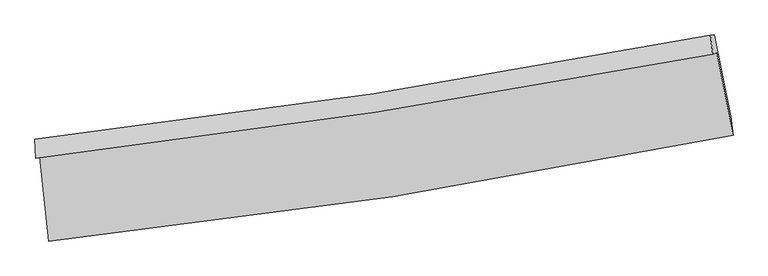
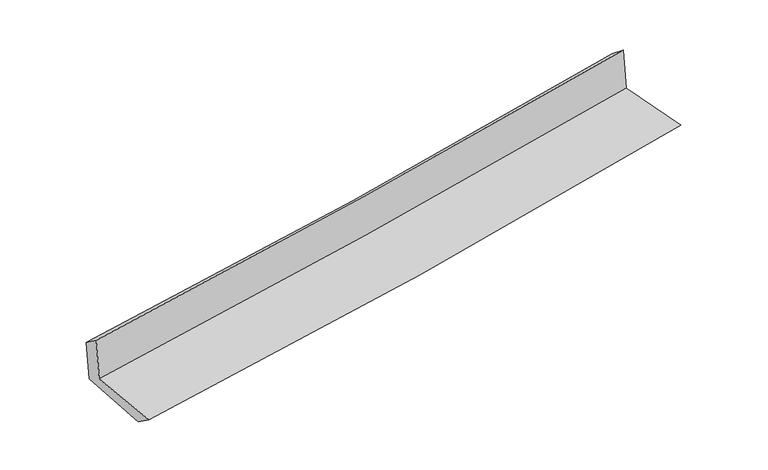
"""IFC4 building model written with IfcOpenShell, lengths in millimetres: proxy geometry."""

from ifc_helpers import new_model, si_unit, frame, origin, place, context, project, spatial, source, transform, mapped, element, save
from ifc_brep_helpers import plane_surface, spline_curve, spline_surface, advanced_brep


def generic_models_7327e803(model_context):
    return source(origin(), model_context, "Body", "AdvancedBrep", [
        advanced_brep(
        [(-2734.3111772, -1895.6597894, 1647.98249), (-2661.1097117, -2571.1656265, 1628.0937723), (2812.0473475, -1724.8659632, 2114.2928567), (2680.8680468, -1064.2017412, 2129.0884794), (-2765.9495913, -1906.8552736, 2047.5147151), (2649.2694833, -1075.4680605, 2524.1315922), (-2772.8072823, -1757.2744431, 1938.0922138), (2630.3835444, -925.9323031, 2401.2428876), (-2742.3965126, -1753.4097395, 1562.9560177), (2660.4686418, -922.0881858, 2040.9324551), (-2668.2453501, -2416.9058324, 1516.0205998), (2791.7969741, -1571.7845929, 1999.1992454)],
        [
            (0, 1),
            (1, 2, spline_curve(3, [(-2661.1097117, -2571.1656265, 1628.0937723), (-1743.377762971, -2476.921494099, 1719.029747825), (-828.454654155, -2359.282596327, 1805.011243386), (995.932006486, -2077.190820925, 1967.079323116), (1905.394584056, -1912.729830726, 2043.164188696), (2812.0473475, -1724.8659632, 2114.2928567)], [4, 2, 4], [0.0, 9.07288841255677, 18.14734968514669])),
            (2, 3),
            (3, 0, spline_curve(3, [(2680.8680468, -1064.2017412, 2129.0884794), (1782.83323631, -1236.93005161, 2059.207022292), (882.511585517, -1392.586903236, 1984.170206489), (-922.548948613, -1669.733668608, 1823.799756276), (-1827.287039278, -1791.229499774, 1738.467909214), (-2734.3111772, -1895.6597894, 1647.98249)], [4, 2, 4], [0.0, 9.07446127258992, 18.14734968514669])),
            (4, 0),
            (3, 5),
            (5, 4, spline_curve(3, [(2649.2694833, -1075.4680605, 2524.1315922), (1751.160436855, -1248.258274572, 2455.967744824), (850.798350083, -1403.940171314, 2382.163816742), (-954.275456029, -1681.063312177, 2223.289569545), (-1858.986393739, -1802.510486303, 2138.221205108), (-2765.9495913, -1906.8552736, 2047.5147151)], [4, 2, 4], [0.0, 9.02438450390013, 18.04720482748326])),
            (6, 4),
            (5, 7),
            (7, 6, spline_curve(3, [(2630.3835444, -925.9323031, 2401.2428876), (1735.20085417, -1098.585394266, 2326.842366756), (837.304346395, -1254.194979015, 2251.042750328), (-963.760203029, -1531.303117976, 2096.658707586), (-1866.927304395, -1652.807579859, 2018.074765861), (-2772.8072823, -1757.2744431, 1938.0922138)], [4, 2, 4], [0.0, 9.013316069004347, 18.025069876163585])),
            (8, 6),
            (7, 9),
            (9, 8, spline_curve(3, [(2660.4686418, -922.0881858, 2040.9324551), (1765.736050266, -1094.694407717, 1959.159133658), (868.091716523, -1250.27884389, 1878.437742034), (-932.86434416, -1527.380128495, 1719.11262753), (-1836.175061926, -1648.902876628, 1640.508539993), (-2742.3965126, -1753.4097395, 1562.9560177)], [4, 2, 4], [0.0, 9.003350409691306, 18.005140284867288])),
            (10, 8),
            (9, 11),
            (11, 10, spline_curve(3, [(2791.7969741, -1571.7845929, 1999.1992454), (1888.538063229, -1758.799689395, 1915.69544344), (981.865348951, -1922.73811171, 1833.675294332), (-838.149942694, -2204.437192377, 1672.616260114), (-1751.491336387, -2322.205849972, 1593.576860807), (-2668.2453501, -2416.9058324, 1516.0205998)], [4, 2, 4], [0.0, 9.053149450867178, 18.10472973564089])),
            (1, 10),
            (11, 2),
        ],
        [
            spline_surface(3, 3, [[(-2734.3111772, -1895.6597894, 1647.98249), (-1827.287039173, -1791.22949965, 1738.467909119), (-922.548948552, -1669.733668568, 1823.79975633), (882.511585456, -1392.586903276, 1984.170206435), (1782.833236177, -1236.930051577, 2059.207022381), (2680.8680468, -1064.2017412, 2129.0884794)], [(-2709.910688713, -2120.828401773, 1641.352917419), (-1799.317280409, -2019.793497844, 1731.988521965), (-891.184183705, -1899.583311188, 1817.536918739), (920.318392421, -1620.788209093, 1978.473245286), (1823.687018751, -1462.19664462, 2053.859411124), (2724.594480364, -1284.423148528, 2124.156605183)], [(-2685.510200187, -2345.997014127, 1634.723344881), (-1771.347521607, -2248.35749602, 1725.509134852), (-859.819418862, -2129.432953856, 1811.274081125), (958.125199382, -1848.989514958, 1972.776284116), (1864.540801332, -1687.46323768, 2048.511799818), (2768.320913936, -1504.644555872, 2119.224730917)], [(-2661.1097117, -2571.1656265, 1628.0937723), (-1743.377762843, -2476.921494214, 1719.029747698), (-828.454654015, -2359.282596476, 1805.011243534), (995.932006346, -2077.190820775, 1967.079322968), (1905.394583907, -1912.729830723, 2043.164188561), (2812.0473475, -1724.8659632, 2114.2928567)]], [4, 4], [4, 2, 4], [0.0, 2.28050514593332], [0.0, 9.07288841255677, 18.14734968514669]),
            spline_surface(3, 3, [[(-2765.9495913, -1906.8552736, 2047.5147151), (-1858.986393856, -1802.510486334, 2138.221205132), (-954.275455894, -1681.063312167, 2223.289569457), (850.798349948, -1403.940171324, 2382.16381683), (1751.160436829, -1248.258274465, 2455.967744861), (2649.2694833, -1075.4680605, 2524.1315922)], [(-2755.403453258, -1903.123445525, 1914.337306755), (-1848.419942286, -1798.750157431, 2004.970106482), (-943.69995345, -1677.286764317, 2090.12629841), (861.369428447, -1400.155748657, 2249.499280026), (1761.718036604, -1244.482200188, 2323.714170705), (2659.802337793, -1071.712620752, 2392.450554604)], [(-2744.857315242, -1899.391617475, 1781.159898345), (-1837.853490743, -1794.989828553, 1871.719007769), (-933.124450995, -1673.510216418, 1956.963027378), (871.940506958, -1396.371325942, 2116.834743239), (1772.275636401, -1240.706125854, 2191.460596537), (2670.335192307, -1067.957180948, 2260.769516996)], [(-2734.3111772, -1895.6597894, 1647.98249), (-1827.287039173, -1791.22949965, 1738.467909119), (-922.548948552, -1669.733668568, 1823.79975633), (882.511585456, -1392.586903276, 1984.170206435), (1782.833236177, -1236.930051577, 2059.207022381), (2680.8680468, -1064.2017412, 2129.0884794)]], [4, 4], [4, 2, 4], [0.0, 1.312867461760585], [0.0, 9.02282032358313, 18.04720482748326]),
            spline_surface(3, 3, [[(-2772.8072823, -1757.2744431, 1938.0922138), (-1866.927304293, -1652.807579966, 2018.074765893), (-963.76020311, -1531.303117954, 2096.658707503), (837.304346476, -1254.194979038, 2251.042750411), (1735.200854183, -1098.585394339, 2326.842366712), (2630.3835444, -925.9323031, 2401.2428876)], [(-2770.521385319, -1807.134719946, 1974.566380899), (-1864.280334166, -1702.708548768, 2058.123578971), (-960.59862068, -1581.223182681, 2138.868994846), (841.802347658, -1304.110043123, 2294.749772575), (1740.520715053, -1148.476354368, 2369.884159422), (2636.678857355, -975.777555554, 2442.205789127)], [(-2768.235488281, -1856.994996754, 2011.040548001), (-1861.633363982, -1752.609517531, 2098.172392054), (-957.437038324, -1631.143247439, 2181.079282114), (846.300348766, -1354.025107238, 2338.456794665), (1745.840575959, -1198.367314436, 2412.925952151), (2642.974170345, -1025.622808046, 2483.168690673)], [(-2765.9495913, -1906.8552736, 2047.5147151), (-1858.986393856, -1802.510486334, 2138.221205132), (-954.275455894, -1681.063312167, 2223.289569457), (850.798349948, -1403.940171324, 2382.16381683), (1751.160436829, -1248.258274465, 2455.967744861), (2649.2694833, -1075.4680605, 2524.1315922)]], [4, 4], [4, 2, 4], [0.0, 0.6492996581936029], [0.0, 9.011753807159238, 18.025069876163585]),
            spline_surface(3, 3, [[(-2742.3965126, -1753.4097395, 1562.9560177), (-1836.175061885, -1648.902876655, 1640.508540026), (-932.864344195, -1527.380128368, 1719.112627528), (868.091716558, -1250.278844017, 1878.437742036), (1765.736050335, -1094.694407705, 1959.159133665), (2660.4686418, -922.0881858, 2040.9324551)], [(-2752.533435837, -1754.697974024, 1688.001416396), (-1846.425809358, -1650.204444417, 1766.363948644), (-943.162963834, -1528.687791583, 1844.961320829), (857.829259864, -1251.584222378, 2002.639411469), (1755.557651618, -1095.991403246, 2081.720211353), (2650.440276001, -923.36955823, 2161.035932606)], [(-2762.670359063, -1755.986208576, 1813.046815104), (-1856.676556819, -1651.506012205, 1892.219357274), (-953.461583471, -1529.995454738, 1970.810014203), (847.566803171, -1252.889600677, 2126.841080977), (1745.379252899, -1097.288398798, 2204.281289024), (2640.411910199, -924.65093067, 2281.139410094)], [(-2772.8072823, -1757.2744431, 1938.0922138), (-1866.927304293, -1652.807579966, 2018.074765893), (-963.76020311, -1531.303117954, 2096.658707503), (837.304346476, -1254.194979038, 2251.042750411), (1735.200854183, -1098.585394339, 2326.842366712), (2630.3835444, -925.9323031, 2401.2428876)]], [4, 4], [4, 2, 4], [0.0, 1.2347815250378766], [0.0, 9.001789875175982, 18.005140284867288]),
            spline_surface(3, 3, [[(-2668.2453501, -2416.9058324, 1516.0205998), (-1751.491336368, -2322.205850054, 1593.576860792), (-838.149942552, -2204.437192457, 1672.616260092), (981.865348809, -1922.73811163, 1833.675294354), (1888.5380631, -1758.799689347, 1915.695443585), (2791.7969741, -1571.7845929, 1999.1992454)], [(-2692.962404265, -2195.740468107, 1531.66573908), (-1779.719244872, -2097.771525594, 1609.220753851), (-869.721409785, -1978.751504412, 1688.11504925), (943.940804707, -1698.585022411, 1848.59611026), (1847.604058867, -1537.431262133, 1930.183340259), (2748.020863356, -1355.219123867, 2013.11031528)], [(-2717.679458435, -1974.575103793, 1547.31087842), (-1807.947153381, -1873.337201115, 1624.864646968), (-901.292876962, -1753.065816412, 1703.613838371), (906.01626066, -1474.431933236, 1863.516926129), (1806.670054568, -1316.062834919, 1944.671236992), (2704.244752544, -1138.653654833, 2027.02138522)], [(-2742.3965126, -1753.4097395, 1562.9560177), (-1836.175061885, -1648.902876655, 1640.508540026), (-932.864344195, -1527.380128368, 1719.112627528), (868.091716558, -1250.278844017, 1878.437742036), (1765.736050335, -1094.694407705, 1959.159133665), (2660.4686418, -922.0881858, 2040.9324551)]], [4, 4], [4, 2, 4], [0.0, 2.245032576547183], [0.0, 9.051580284773713, 18.10472973564089]),
            spline_surface(3, 3, [[(-2661.1097117, -2571.1656265, 1628.0937723), (-1743.377762843, -2476.921494214, 1719.029747698), (-828.454654015, -2359.282596476, 1805.011243534), (995.932006346, -2077.190820775, 1967.079322968), (1905.394583907, -1912.729830723, 2043.164188561), (2812.0473475, -1724.8659632, 2114.2928567)], [(-2663.488257808, -2519.745695125, 1590.736048151), (-1746.082287326, -2425.349612819, 1677.212118747), (-831.686416864, -2307.667461807, 1760.879582372), (991.243120498, -2025.706584398, 1922.611313415), (1899.775743636, -1861.419783601, 2000.674606903), (2805.297223032, -1673.83883977, 2075.9283196)], [(-2665.866803992, -2468.325763775, 1553.378323949), (-1748.786811885, -2373.777731449, 1635.394489743), (-834.918179703, -2256.052327125, 1716.747921254), (986.554234657, -1974.222348008, 1878.143303906), (1894.15690337, -1810.109736469, 1958.185025244), (2798.547098568, -1622.81171633, 2037.5637825)], [(-2668.2453501, -2416.9058324, 1516.0205998), (-1751.491336368, -2322.205850054, 1593.576860792), (-838.149942552, -2204.437192457, 1672.616260092), (981.865348809, -1922.73811163, 1833.675294354), (1888.5380631, -1758.799689347, 1915.695443585), (2791.7969741, -1571.7845929, 1999.1992454)]], [4, 4], [4, 2, 4], [0.0, 0.6701254115716432], [0.0, 9.11165133500434, 18.224882249914128]),
            plane_surface(frame((2704.1390063, -1214.0568078, 2201.4812527), z_axis=(0.9777671498604972, 0.19226790624828832, 0.08369260947407368), x_axis=(-0.08320345709293832, -0.010631305050036222, 0.9964758702952705))),
            plane_surface(frame((-2724.1366042, -2050.2117841, 1723.4433014), z_axis=(-0.9911321211810993, -0.10500695078891334, -0.08142885636596912), x_axis=(-0.10768856193943416, 0.9937540419793842, 0.02925880512005277))),
        ],
        [
            (0, [[1, 2, 3, 4]]),
            (1, [[5, -4, 6, 7]]),
            (2, [[8, -7, 9, 10]]),
            (3, [[11, -10, 12, 13]]),
            (4, [[14, -13, 15, 16]]),
            (5, [[17, -16, 18, -2]]),
            (6, [[-12, -9, -6, -3, -18, -15]]),
            (7, [[-1, -5, -8, -11, -14, -17]]),
        ],
    ),
    ])


if __name__ == "__main__":
    model = new_model("IFC4")
    model_context = context("Model", 3, world=origin())
    ifc_project = project(units=[si_unit("LENGTHUNIT", "METRE", prefix="MILLI")], contexts=[model_context])
    site = spatial("IfcSite", under=ifc_project)
    building = spatial("IfcBuilding", under=site)
    placement = place(None, origin())
    generic_models_shape = generic_models_7327e803(model_context)
    element("IfcBuildingElementProxy", 1, Name="Generic Models", at=placement, inside=building, context=model_context, shape_type="MappedRepresentation", body=[
        mapped(generic_models_shape, transform((0.0, 0.0, 0.0), x_axis=(1.0, 0.0, 0.0), y_axis=(0.0, 1.0, 0.0), z_axis=(0.0, 0.0, 1.0))),
    ])
    save(model, "model.ifc")
